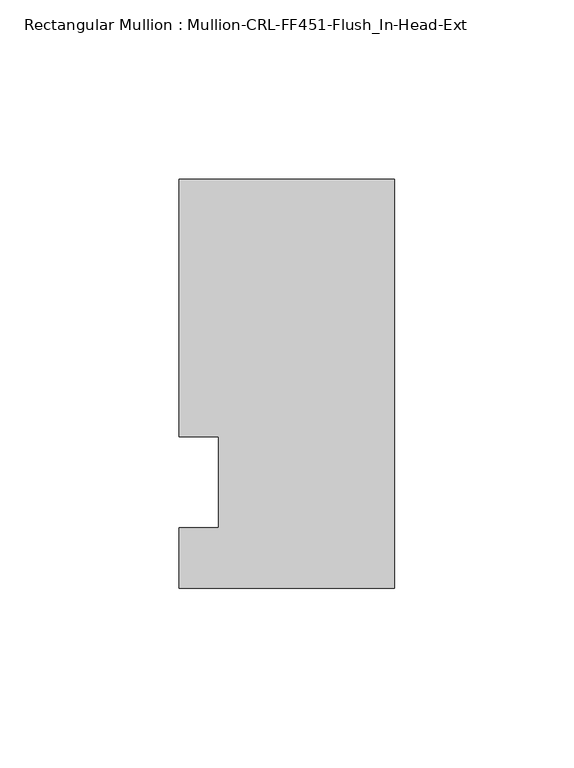
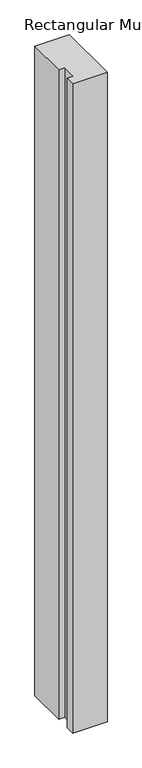
"""IFC4 building model written with IfcOpenShell, lengths in millimetres: member geometry, Rectangular Mullion : Mullion-CRL-FF451-Flush_In-Head-Ext."""

from ifc_helpers import new_model, si_unit, frame, origin, place, context, project, spatial, polyline, outline, extrude, source, transform, mapped, element, save


def rectangular_mullion_mullion_crl_ff451_flush_in_head_ext_9e938ab0(model_context):
    return source(origin(), model_context, "Body", "SweptSolid", [
        extrude(outline(polyline([(0.0, -29.6150427), (-60.325, -29.6150427), (-60.325, -12.7), (-49.2125, -12.7), (-49.2125, 12.7), (-60.325, 12.7), (-60.325, 84.6849573), (0.0, 84.6849573), (0.0, -29.6150427)])), frame((0.0, 0.0, -1202.3155522), z_axis=(0.0, 0.0, 1.0), x_axis=(1.0, 0.0, 0.0)), (0.0, 0.0, 1.0), 1202.3155522),
    ])


if __name__ == "__main__":
    model = new_model("IFC4")
    model_context = context("Model", 3, world=origin())
    ifc_project = project(units=[si_unit("LENGTHUNIT", "METRE", prefix="MILLI")], contexts=[model_context])
    site = spatial("IfcSite", under=ifc_project)
    building = spatial("IfcBuilding", under=site)
    placement = place(None, origin())
    rectangular_mullion_mullion_crl_ff451_flush_in_head_ext_shape = rectangular_mullion_mullion_crl_ff451_flush_in_head_ext_9e938ab0(model_context)
    element("IfcMember", 1, ObjectType="Rectangular Mullion : Mullion-CRL-FF451-Flush_In-Head-Ext", at=placement, inside=building, context=model_context, shape_type="MappedRepresentation", body=[
        mapped(rectangular_mullion_mullion_crl_ff451_flush_in_head_ext_shape, transform((0.0, 0.0, 0.0), x_axis=(1.0, 0.0, 0.0), y_axis=(0.0, 1.0, 0.0), z_axis=(0.0, 0.0, 1.0))),
    ])
    save(model, "model.ifc")
